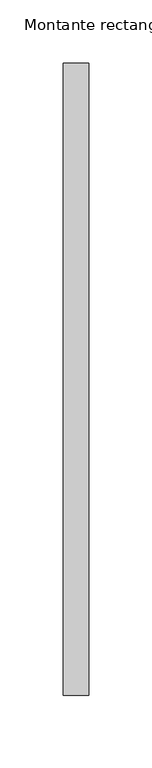
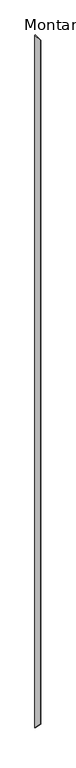
"""IFC4 building model written with IfcOpenShell, lengths in millimetres: member geometry, Montante rectangular."""

from ifc_helpers import new_model, si_unit, frame, origin, place, context, project, spatial, polyline, outline, extrude, source, transform, mapped, element, save


def montante_rectangular_7285eb3f(model_context):
    return source(origin(), model_context, "Body", "SweptSolid", [
        extrude(outline(polyline([(-250.0, 0.0), (250.0, 0.0), (250.0, -39564.2921495), (-250.0, -39064.2921495), (-250.0, 0.0)])), frame((-20.0, 0.0, 0.0), z_axis=(1.0, 0.0, 0.0), x_axis=(0.0, 1.0, 0.0)), (0.0, 0.0, 1.0), 20.0),
    ])


if __name__ == "__main__":
    model = new_model("IFC4")
    model_context = context("Model", 3, world=origin())
    ifc_project = project(units=[si_unit("LENGTHUNIT", "METRE", prefix="MILLI")], contexts=[model_context])
    site = spatial("IfcSite", under=ifc_project)
    building = spatial("IfcBuilding", under=site)
    placement = place(None, origin())
    montante_rectangular_shape = montante_rectangular_7285eb3f(model_context)
    element("IfcMember", 1, ObjectType="Montante rectangular", at=placement, inside=building, context=model_context, shape_type="MappedRepresentation", body=[
        mapped(montante_rectangular_shape, transform((0.0, 0.0, 0.0), x_axis=(1.0, 0.0, 0.0), y_axis=(0.0, 1.0, 0.0), z_axis=(0.0, 0.0, 1.0))),
    ])
    save(model, "model.ifc")
